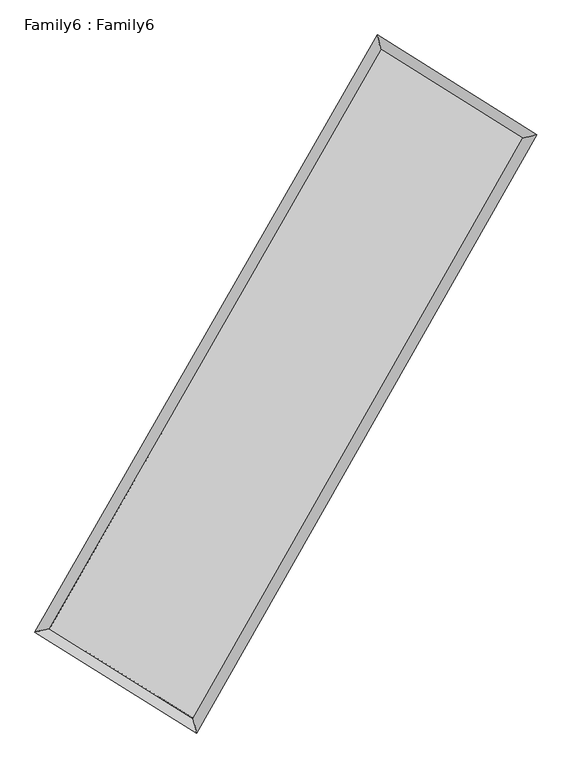
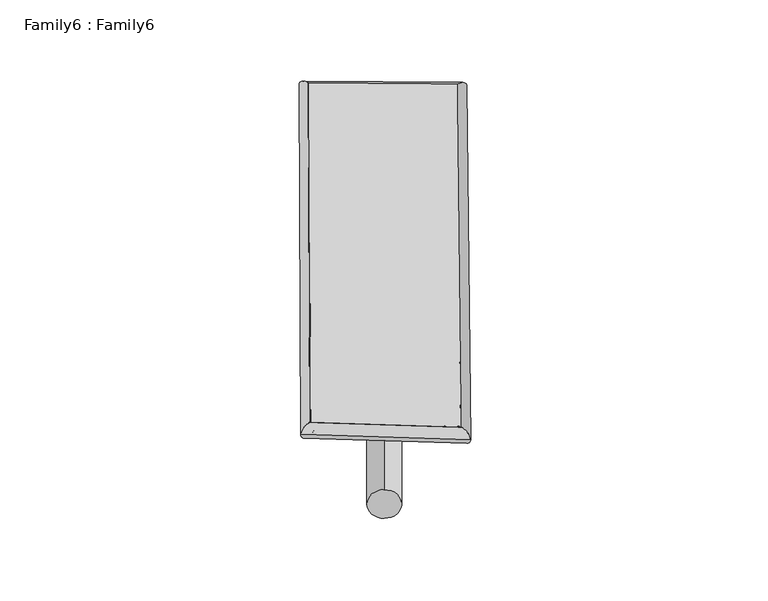
"""IFC4 building model written with IfcOpenShell, lengths in millimetres: plate geometry, Family6 : Family6."""

from ifc_helpers import new_model, si_unit, point, frame, origin, origin_2d, place, context, project, spatial, circle_curve, ellipse_curve, trimmed, segment, composite_curve, outline, extrude, source, transform, mapped, element, save
from ifc_brep_helpers import plane_surface, cylinder_surface, spline_surface, advanced_brep


def family6_family6_645a5adc(model_context):
    return source(origin(), model_context, "Body", "SolidModel", [
        extrude(outline(composite_curve([segment(trimmed(circle_curve(origin_2d(), 76.2), [point((-75.4341514, -10.7763074))], [point((75.4341514, 10.7763074))], False, "CARTESIAN"), True, "CONTINUOUS"), segment(trimmed(circle_curve(origin_2d(), 76.2), [point((75.4341514, 10.7763074))], [point((-75.4341514, -10.7763074))], False, "CARTESIAN"), True, "CONTINUOUS")], self_intersect=False)), frame((9144.0, 9144.0, 0.0), z_axis=(0.6672968598346773, 0.6905935581377588, 0.27891833628036916), x_axis=(-0.6829431231652412, 0.7167726204147314, -0.14080376822054763)), (0.0, 0.0, 1.0), 5530.5453931),
        extrude(outline(composite_curve([segment(trimmed(circle_curve(origin_2d(), 76.2), [point((-53.8815367, 53.8815367))], [point((53.8815367, -53.8815367))], False, "CARTESIAN"), True, "CONTINUOUS"), segment(trimmed(circle_curve(origin_2d(), 76.2), [point((53.8815367, -53.8815367))], [point((-53.8815367, 53.8815367))], False, "CARTESIAN"), True, "CONTINUOUS")], self_intersect=False)), frame((9144.0, 9144.0, 0.0), z_axis=(-0.6698844123030978, -0.6882077631638319, 0.278612542564703), x_axis=(0.645634285892684, -0.35465405601838995, 0.676296436061546)), (0.0, 0.0, 1.0), 5536.3562171),
        extrude(outline(composite_curve([segment(trimmed(circle_curve(origin_2d(), 76.2), [point((-53.8815367, -53.8815368))], [point((53.8815367, 53.8815368))], False, "CARTESIAN"), True, "CONTINUOUS"), segment(trimmed(circle_curve(origin_2d(), 76.2), [point((53.8815367, 53.8815368))], [point((-53.8815367, -53.8815368))], False, "CARTESIAN"), True, "CONTINUOUS")], self_intersect=False)), frame((9144.0, 9144.0, 0.0), z_axis=(0.2615045858800246, 0.927407945977158, 0.26745065582672595), x_axis=(-0.841559193897201, 0.354765950434846, -0.4073318592734353)), (0.0, 0.0, 1.0), 5617.7712212),
        extrude(outline(composite_curve([segment(trimmed(circle_curve(origin_2d(), 76.2), [point((-75.4341514, 10.7763074))], [point((75.4341514, -10.7763074))], False, "CARTESIAN"), True, "CONTINUOUS"), segment(trimmed(circle_curve(origin_2d(), 76.2), [point((75.4341514, -10.7763074))], [point((-75.4341514, 10.7763074))], False, "CARTESIAN"), True, "CONTINUOUS")], self_intersect=False)), frame((9144.0, 9144.0, 0.0), z_axis=(-0.25832105579404213, -0.9283373461508933, 0.2673200401671528), x_axis=(0.8839902562791749, -0.1155358311254769, 0.45300408224388433)), (0.0, 0.0, 1.0), 5621.6954296),
        advanced_brep(
        [(5230.0755328, 5282.3889838, 1539.4198444), (5230.0265316, 5282.3221455, 1546.2980263), (5640.4870057, 5385.2843598, 1545.57672), (10666.3874266, 14140.8066048, 1506.7290769), (10559.7584469, 14567.1247336, 1498.2241179), (5640.5360069, 5385.351198, 1538.6985381), (12629.7944385, 12911.7283485, 1542.1658183), (13039.2367094, 13014.9896944, 1542.9752212), (7637.8400069, 4138.5022185, 1503.5532945), (7745.7553956, 3711.8381496, 1502.0304016)],
        [
            (0, 1, ellipse_curve(frame((5435.2812692, 5333.8366718, 1542.4982822), z_axis=(-0.24328759897398983, 0.9699236970514084, 0.007691949271719436), x_axis=(-0.9698383357933482, -0.24337345801968036, 0.01352635786646766)), 211.6565785, 152.4)),
            (1, 2, ellipse_curve(frame((5435.2812692, 5333.8366718, 1542.4982822), z_axis=(-0.24328759897398983, 0.9699236970514084, 0.007691949271719436), x_axis=(-0.9698383357933482, -0.24337345801968036, 0.01352635786646766)), 211.6565785, 152.4)),
            (2, 3),
            (3, 4, ellipse_curve(frame((10613.0729368, 14353.9656692, 1502.4765974), z_axis=(-0.9700441887382285, -0.24278824158926368, -0.008254795042009424), x_axis=(0.2426686930722379, -0.970018247606584, 0.01328550762537217)), 219.7708428, 152.4)),
            (4, 0),
            (2, 5, ellipse_curve(frame((5435.2812692, 5333.8366718, 1542.4982822), z_axis=(-0.24328759897398983, 0.9699236970514084, 0.007691949271719436), x_axis=(-0.9698383357933482, -0.24337345801968036, 0.01352635786646766)), 211.6565785, 152.4)),
            (5, 0, ellipse_curve(frame((5435.2812692, 5333.8366718, 1542.4982822), z_axis=(-0.24328759897398983, 0.9699236970514084, 0.007691949271719436), x_axis=(-0.9698383357933482, -0.24337345801968036, 0.01352635786646766)), 211.6565785, 152.4)),
            (4, 3, ellipse_curve(frame((10613.0729368, 14353.9656692, 1502.4765974), z_axis=(-0.9700441887382285, -0.24278824158926368, -0.008254795042009424), x_axis=(0.2426686930722379, -0.970018247606584, 0.01328550762537217)), 219.7708428, 152.4)),
            (3, 6),
            (6, 7, ellipse_curve(frame((12834.515574, 12963.3590214, 1542.5705198), z_axis=(-0.24452034805579104, 0.9696115982500927, -0.007946566904992161), x_axis=(-0.9695228460071178, -0.24461117912455163, -0.01381383790099123)), 211.1455318, 152.4)),
            (7, 4),
            (7, 6, ellipse_curve(frame((12834.515574, 12963.3590214, 1542.5705198), z_axis=(-0.24452034805579104, 0.9696115982500927, -0.007946566904992161), x_axis=(-0.9695228460071178, -0.24461117912455163, -0.01381383790099123)), 211.1455318, 152.4)),
            (6, 8),
            (8, 9, ellipse_curve(frame((7691.7977013, 3925.170184, 1502.791848), z_axis=(0.9694329284897505, 0.24522556074476795, -0.00801383286576167), x_axis=(-0.2451117539308302, 0.9694077233739747, 0.012995920430650959)), 220.0621447, 152.4)),
            (9, 7),
            (9, 8, ellipse_curve(frame((7691.7977013, 3925.170184, 1502.791848), z_axis=(0.9694329284897505, 0.24522556074476795, -0.00801383286576167), x_axis=(-0.2451117539308302, 0.9694077233739747, 0.012995920430650959)), 220.0621447, 152.4)),
            (8, 5),
            (1, 9),
        ],
        [
            cylinder_surface(frame((5435.2812692, 5333.8366718, 1542.4982822), z_axis=(-0.4978326979723696, -0.8672645489027866, 0.003847992463317714), x_axis=(-0.8670689163604062, 0.4976143329809125, -0.02390543648529818)), 152.4),
            cylinder_surface(frame((10613.0729368, 14353.9656692, 1502.4765974), z_axis=(-0.847520784315629, 0.530541737640381, -0.015296560873161561), x_axis=(0.5307212805536177, 0.8474613069222682, -0.012010646823949082)), 152.4),
            cylinder_surface(frame((12834.515574, 12963.3590214, 1542.5705198), z_axis=(0.4945424311545602, 0.8691450691119947, 0.0038252615653084996), x_axis=(0.869152897624765, -0.4945424311545602, -0.0010120959499459964)), 152.4),
            cylinder_surface(frame((7691.7977013, 3925.170184, 1502.791848), z_axis=(0.8481835384176979, -0.5294921450795094, -0.014924927347688237), x_axis=(-0.5293880863207528, -0.8483141949699927, 0.010548965544754164)), 152.4),
        ],
        [
            (0, [[1, 2, 3, 4, 5]]),
            (0, [[6, 7, -5, 8, -3]]),
            (1, [[-4, 9, 10, 11]]),
            (1, [[-8, -11, 12, -9]]),
            (2, [[-10, 13, 14, 15]]),
            (2, [[-12, -15, 16, -13]]),
            (3, [[-14, 17, -6, -2, 18]]),
            (3, [[-16, -18, -1, -7, -17]]),
        ],
    ),
        extrude(outline(composite_curve([segment(trimmed(circle_curve(origin_2d(), 304.8), [point((0.0, -304.8))], [point((0.0, 304.8))], False, "CARTESIAN"), True, "CONTINUOUS"), segment(trimmed(circle_curve(origin_2d(), 304.8), [point((0.0, 304.8))], [point((0.0, -304.8))], False, "CARTESIAN"), True, "CONTINUOUS")], self_intersect=False)), frame((6535.8653422, 4627.9926128, -0.0094418), z_axis=(0.5001174311827596, 0.8659575942411268, 1.8104836355718916e-06), x_axis=(-0.8659575942428834, 0.5001174311827596, 4.852491974175224e-07)), (0.0, 0.0, 1.0), 10430.0889957),
        advanced_brep(
        [(5435.2812692, 5333.8366718, 1542.4982822), (7691.7977013, 3925.170184, 1502.791848), (7691.803925, 3925.1687843, 1655.1918479), (5435.2874929, 5333.835272, 1694.898282), (12834.515574, 12963.3590214, 1542.5705198), (12834.5217976, 12963.3576217, 1694.9705196), (10613.0729368, 14353.9656692, 1502.4765974), (10613.0791604, 14353.9642695, 1654.8765973)],
        [
            (0, 1),
            (1, 2),
            (2, 3),
            (3, 0),
            (1, 4),
            (4, 5),
            (5, 2),
            (4, 6),
            (6, 7),
            (7, 5),
            (6, 0),
            (3, 7),
        ],
        [
            plane_surface(frame((6563.5394853, 4629.5034279, 1522.6450651), z_axis=(-0.5295509528168139, -0.8482781313811031, 1.3834331302356104e-05), x_axis=(0.8481835384176978, -0.5294921450795093, -0.014924927347688249))),
            plane_surface(frame((10263.1566376, 8444.2646027, 1522.6811839), z_axis=(0.8691515031630072, -0.49454591591333436, -4.0036562561495456e-05), x_axis=(0.4945424311545599, 0.8691450691119949, 0.0038252615653084974))),
            plane_surface(frame((11723.7942554, 13658.6623453, 1522.5235586), z_axis=(0.530603997856664, 0.8476198424209862, -1.3883381635993765e-05), x_axis=(-0.8475207843156289, 0.530541737640381, -0.015296560873161563))),
            plane_surface(frame((8024.177103, 9843.9011705, 1522.4874398), z_axis=(-0.8672708924854361, 0.497836516788711, 3.998998645784991e-05), x_axis=(-0.4978326979723695, -0.8672645489027866, 0.003847992463317716))),
            spline_surface(1, 1, [[(7691.803925, 3925.1687843, 1655.1918479), (5435.2874929, 5333.835272, 1694.898282)], [(12834.5217976, 12963.3576217, 1694.9705196), (10613.0791604, 14353.9642695, 1654.8765973)]], [2, 2], [2, 2], [0.0, 1.0], [0.0, 1.0]),
            spline_surface(1, 1, [[(10613.0729368, 14353.9656692, 1502.4765974), (5435.2812692, 5333.8366718, 1542.4982822)], [(12834.515574, 12963.3590214, 1542.5705198), (7691.7977013, 3925.170184, 1502.791848)]], [2, 2], [2, 2], [0.0, 1.0], [0.0, 1.0]),
        ],
        [
            (0, [[1, 2, 3, 4]]),
            (1, [[5, 6, 7, -2]]),
            (2, [[8, 9, 10, -6]]),
            (3, [[11, -4, 12, -9]]),
            (4, [[-3, -7, -10, -12]]),
            (5, [[-11, -8, -5, -1]]),
        ],
    ),
    ])


if __name__ == "__main__":
    model = new_model("IFC4")
    model_context = context("Model", 3, world=origin())
    ifc_project = project(units=[si_unit("LENGTHUNIT", "METRE", prefix="MILLI")], contexts=[model_context])
    site = spatial("IfcSite", under=ifc_project)
    building = spatial("IfcBuilding", under=site)
    placement = place(None, origin())
    family6_family6_shape = family6_family6_645a5adc(model_context)
    element("IfcPlate", 1, ObjectType="Family6 : Family6", at=placement, inside=building, context=model_context, shape_type="MappedRepresentation", body=[
        mapped(family6_family6_shape, transform((0.0, 0.0, 0.0), x_axis=(1.0, 0.0, 0.0), y_axis=(0.0, 1.0, 0.0), z_axis=(0.0, 0.0, 1.0))),
    ])
    save(model, "model.ifc")
